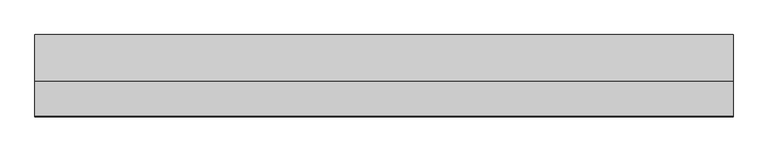
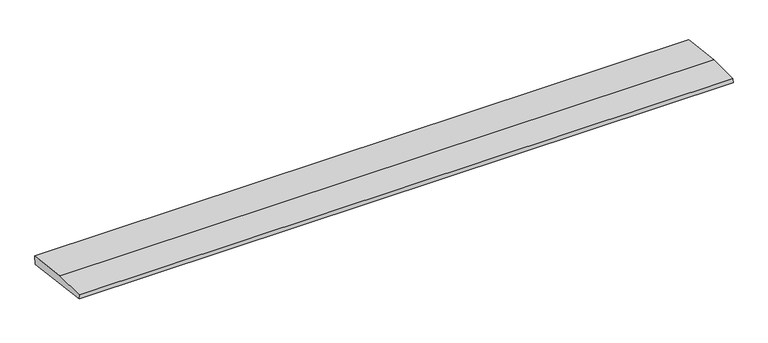
"""IFC4 building model written with IfcOpenShell, lengths in millimetres: beam geometry."""

from ifc_helpers import new_model, si_unit, frame, origin, place, context, project, spatial, polyline, outline, extrude, source, transform, mapped, element, save


def beam_2cd5924f(model_context):
    return source(origin(), model_context, "Body", "SweptSolid", [
        extrude(outline(polyline([(0.0, -9.143159), (1.1226388, 0.0), (79.0749747, 0.0), (180.9387048, -12.5072934), (178.6231873, -31.3656703), (0.0, -9.143159)])), frame((-766.1389353, 0.0, 0.0), z_axis=(1.0, 0.0, 0.0), x_axis=(0.0, 1.0, 0.0)), (0.0, 0.0, 1.0), 1532.2778706),
    ])


if __name__ == "__main__":
    model = new_model("IFC4")
    model_context = context("Model", 3, world=origin())
    ifc_project = project(units=[si_unit("LENGTHUNIT", "METRE", prefix="MILLI")], contexts=[model_context])
    site = spatial("IfcSite", under=ifc_project)
    building = spatial("IfcBuilding", under=site)
    placement = place(None, origin())
    beam_shape = beam_2cd5924f(model_context)
    element("IfcBeam", 1, at=placement, inside=building, context=model_context, shape_type="MappedRepresentation", body=[
        mapped(beam_shape, transform((0.0, 0.0, 0.0), x_axis=(1.0, 0.0, 0.0), y_axis=(0.0, 1.0, 0.0), z_axis=(0.0, 0.0, 1.0))),
    ])
    save(model, "model.ifc")
